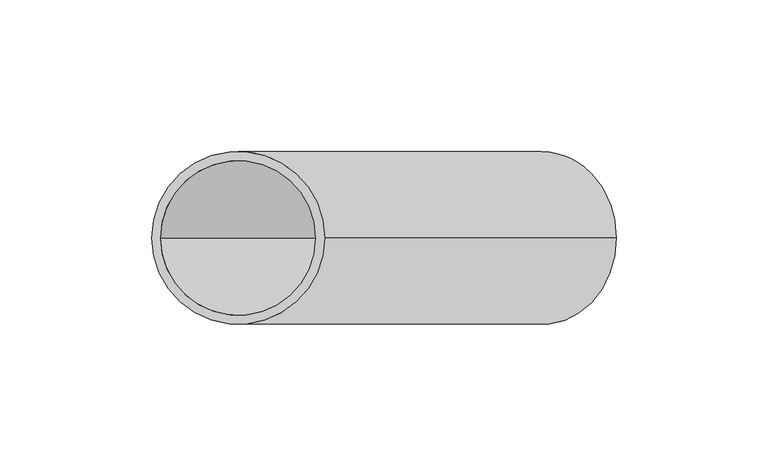
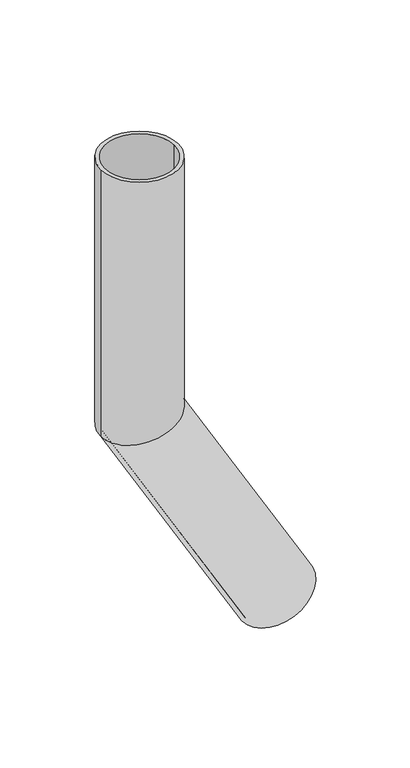
"""IFC4 building model written with IfcOpenShell, lengths in millimetres: beam geometry."""

import ifcopenshell
import ifcopenshell.guid

model = None  # the IFC model being written
_history = None  # IfcOwnerHistory: only IFC2X3 demands one
_inside = {}  # id of a spatial element -> (the spatial element, [elements in it])
_under = {}  # id of a project, library or spatial element -> (it, [spatial elements below it])
_declared = {}  # id of a project -> (the project, [libraries it declares])
_typed = {}  # id of a type object -> (the type object, [elements of that type])
_made_of = {}  # id of a material, layer set ... -> (it, [elements and type objects made of it])


def new_model(schema):
    """Start an empty IFC model of exactly this schema.

    Asked for "IFC4X3", IfcOpenShell would pick the latest addendum, in which some entities
    have other attributes; the version numbers below select the first issue.
    IFC2X3 requires an IfcOwnerHistory on every rooted entity: one is made here for all.
    """
    global model, _history
    if schema == "IFC4X3":
        model = ifcopenshell.file(schema_version=(4, 3, 0, 0))
    else:
        model = ifcopenshell.file(schema=schema)
    _inside.clear()
    _under.clear()
    _declared.clear()
    _typed.clear()
    _made_of.clear()
    _history = None
    if model.schema == "IFC2X3":
        org = make("IfcOrganization", Name="unknown")
        user = make(
            "IfcPersonAndOrganization",
            ThePerson=make("IfcPerson", FamilyName="unknown"),
            TheOrganization=org,
        )
        app = make(
            "IfcApplication",
            ApplicationDeveloper=org,
            Version="unknown",
            ApplicationFullName="unknown",
            ApplicationIdentifier="unknown",
        )
        _history = make(
            "IfcOwnerHistory",
            OwningUser=user,
            OwningApplication=app,
            ChangeAction="ADDED",
            CreationDate=0,
        )
    return model


def make(cls, **values):
    """One entity of the class cls with the attributes given. An attribute that is None is left unset."""
    return model.create_entity(
        cls, **{name: value for name, value in values.items() if value is not None}
    )


def rooted(cls, **values):
    """An entity with a GlobalId (a new one), such as an element, a storey or a relation."""
    return make(cls, GlobalId=ifcopenshell.guid.new(), OwnerHistory=_history, **values)


def si_unit(unit_type, name, prefix=None):
    """IfcSIUnit, for example si_unit("LENGTHUNIT", "METRE", prefix="MILLI")."""
    return make("IfcSIUnit", UnitType=unit_type, Prefix=prefix, Name=name)


def assignment(units):
    """IfcUnitAssignment: the units of a project."""
    return None if units is None else make("IfcUnitAssignment", Units=units)


def point(xyz):
    """IfcCartesianPoint."""
    return None if xyz is None else make("IfcCartesianPoint", Coordinates=xyz)


def direction(xyz):
    """IfcDirection."""
    return None if xyz is None else make("IfcDirection", DirectionRatios=xyz)


def frame(location, z_axis=None, x_axis=None):
    """IfcAxis2Placement3D, a coordinate frame: its origin and axes. An axis left out is left unset."""
    return make(
        "IfcAxis2Placement3D",
        Location=point(location),
        Axis=direction(z_axis),
        RefDirection=direction(x_axis),
    )


def origin():
    """The frame at (0, 0, 0) with its axes left unset."""
    return frame((0.0, 0.0, 0.0))


def place(relative_to, where):
    """IfcLocalPlacement: puts the frame where relative to a parent placement (None: the world)."""
    return make(
        "IfcLocalPlacement", PlacementRelTo=relative_to, RelativePlacement=where
    )


def context(
    kind, dimensions, precision=None, world=None, true_north=None, identifier=None
):
    """IfcGeometricRepresentationContext, for example the 3D "Model" context."""
    return make(
        "IfcGeometricRepresentationContext",
        ContextIdentifier=identifier,
        ContextType=kind,
        CoordinateSpaceDimension=dimensions,
        Precision=precision,
        WorldCoordinateSystem=world,
        TrueNorth=true_north,
    )


def project(units=None, contexts=None):
    """IfcProject with its units and contexts."""
    return rooted(
        "IfcProject",
        Name="project",
        RepresentationContexts=contexts,
        UnitsInContext=assignment(units),
    )


def spatial(cls, under=None, at=None, **own):
    """A site, building, storey or space (cls), placed at a placement, below another one or the project."""
    s = rooted(cls, ObjectPlacement=at, **own)
    if under is not None:
        _under.setdefault(under.id(), (under, []))[1].append(s)
    return s


def polyline(points):
    """IfcPolyline through the points."""
    return make("IfcPolyline", Points=[point(p) for p in points])


def circle_curve(where, radius):
    """IfcCircle in the frame where."""
    return make("IfcCircle", Position=where, Radius=radius)


def ellipse_curve(where, semi_axis1, semi_axis2):
    """IfcEllipse in the frame where."""
    return make(
        "IfcEllipse", Position=where, SemiAxis1=semi_axis1, SemiAxis2=semi_axis2
    )


def shape(context_of_items, identifier, shape_type, items):
    """IfcShapeRepresentation: the items that make up one representation, for example the "Body"."""
    return make(
        "IfcShapeRepresentation",
        ContextOfItems=context_of_items,
        RepresentationIdentifier=identifier,
        RepresentationType=shape_type,
        Items=items,
    )


def source(mapping_origin, context_of_items, identifier, shape_type, items):
    """IfcRepresentationMap: a shape defined once, which mapped items show again and again."""
    return make(
        "IfcRepresentationMap",
        MappingOrigin=mapping_origin,
        MappedRepresentation=shape(context_of_items, identifier, shape_type, items),
    )


def transform(
    local_origin,
    x_axis=None,
    y_axis=None,
    z_axis=None,
    scale=None,
    scale2=None,
    scale3=None,
    uniform=True,
):
    """IfcCartesianTransformationOperator3D, or its non-uniform kind. x_axis, y_axis, z_axis: its Axis1, 2, 3."""
    if uniform:
        return make(
            "IfcCartesianTransformationOperator3D",
            Axis1=direction(x_axis),
            Axis2=direction(y_axis),
            LocalOrigin=point(local_origin),
            Scale=scale,
            Axis3=direction(z_axis),
        )
    return make(
        "IfcCartesianTransformationOperator3DnonUniform",
        Axis1=direction(x_axis),
        Axis2=direction(y_axis),
        LocalOrigin=point(local_origin),
        Scale=scale,
        Axis3=direction(z_axis),
        Scale2=scale2,
        Scale3=scale3,
    )


def mapped(mapping_source, mapping_target):
    """IfcMappedItem: shows the shape of a source again, moved by a transform."""
    return make(
        "IfcMappedItem", MappingSource=mapping_source, MappingTarget=mapping_target
    )


def made_of(thing, what):
    """Note that an element or type object is made of a material, layer set ...; save() writes the relation."""
    if what is not None:
        _made_of.setdefault(what.id(), (what, []))[1].append(thing)
    return thing


def element(
    cls,
    number,
    at=None,
    inside=None,
    cuts=None,
    type_object=None,
    material=None,
    context=None,
    identifier="Body",
    shape_type=None,
    held_by="IfcProductDefinitionShape",
    body=None,
    shapes=None,
    **own,
):
    """One element of the class cls, such as IfcWall. Its Tag is "e" and its number.

    at: its placement. inside: the storey or other place that contains it. cuts: it is an
    opening in that element (IfcRelVoidsElement). A single representation is given by context,
    identifier, shape_type and body (its items); several are given by shapes. held_by: the class
    of the entity that holds the representations. save() writes the other relations.
    """
    e = rooted(cls, Tag="e%d" % number, ObjectPlacement=at, **own)
    if body is not None:
        shapes = [shape(context, identifier, shape_type, body)]
    if shapes is not None:
        e.Representation = make(held_by, Representations=shapes)
    if inside is not None:
        _inside.setdefault(inside.id(), (inside, []))[1].append(e)
    if cuts is not None:
        rooted(
            "IfcRelVoidsElement", RelatingBuildingElement=cuts, RelatedOpeningElement=e
        )
    if type_object is not None:
        _typed.setdefault(type_object.id(), (type_object, []))[1].append(e)
    return made_of(e, material)


def aggregate(whole, parts):
    """IfcRelAggregates: a whole, such as a stair, and the parts it consists of."""
    return rooted("IfcRelAggregates", RelatingObject=whole, RelatedObjects=parts)


def save(model, path):
    """Write the relations noted so far, then the file.

    IfcRelAggregates (storeys below a building ...), IfcRelContainedInSpatialStructure (elements
    in a storey), IfcRelDefinesByType, IfcRelAssociatesMaterial and IfcRelDeclares: one each for
    every whole, place, type object, material and project.
    """
    for whole, parts in _under.values():
        aggregate(whole, parts)
    for where, things in _inside.values():
        rooted(
            "IfcRelContainedInSpatialStructure",
            RelatedElements=things,
            RelatingStructure=where,
        )
    for kind, things in _typed.values():
        rooted("IfcRelDefinesByType", RelatedObjects=things, RelatingType=kind)
    for what, things in _made_of.values():
        rooted("IfcRelAssociatesMaterial", RelatedObjects=things, RelatingMaterial=what)
    for by, libraries in _declared.values():
        rooted("IfcRelDeclares", RelatingContext=by, RelatedDefinitions=libraries)
    model.write(path)


def plane_surface(at):
    """IfcPlane: the flat surface through the origin of the frame at, square to its z axis."""
    return make("IfcPlane", Position=at)


def cylinder_surface(at, radius):
    """IfcCylindricalSurface: all points at the distance radius from the z axis of the frame at."""
    return make("IfcCylindricalSurface", Position=at, Radius=radius)


def revolved_surface(curve, axis_point, axis_direction):
    """IfcSurfaceOfRevolution: the curve turned about the line through axis_point along axis_direction."""
    return make(
        "IfcSurfaceOfRevolution",
        SweptCurve=make("IfcArbitraryOpenProfileDef", ProfileType="CURVE", Curve=curve),
        AxisPosition=make("IfcAxis1Placement", Location=point(axis_point), Axis=direction(axis_direction)),
    )


def advanced_brep(points, edges, surfaces, faces):
    """IfcAdvancedBrep: a solid bounded by faces that lie on surfaces and meet in shared edges.

    An edge is (start, end): straight between two places in points (the first is 0);
    or (start, end, curve); or (start, end, curve, False) where it runs against its curve.
    A face is (place in surfaces, loops), or (place, loops, False) where it looks against
    its surface's normal. A loop lists edges by number (the first is 1), with a minus sign
    where the edge is run from its end to its start. The first loop is the outer one.
    """
    corners = [point(p) for p in points]
    vertices = [make("IfcVertexPoint", VertexGeometry=c) for c in corners]
    made = []
    for start, end, *more in edges:
        made.append(
            make(
                "IfcEdgeCurve",
                EdgeStart=vertices[start],
                EdgeEnd=vertices[end],
                EdgeGeometry=more[0] if more else make("IfcPolyline", Points=[corners[start], corners[end]]),
                SameSense=more[1] if len(more) > 1 else True,
            )
        )
    hull = []
    for where, loops, *sense in faces:
        bounds = []
        for j, loop in enumerate(loops):
            ring = [make("IfcOrientedEdge", EdgeElement=made[abs(k) - 1], Orientation=k > 0) for k in loop]
            bounds.append(
                make(
                    "IfcFaceOuterBound" if j == 0 else "IfcFaceBound",
                    Bound=make("IfcEdgeLoop", EdgeList=ring),
                    Orientation=True,
                )
            )
        hull.append(make("IfcAdvancedFace", Bounds=bounds, FaceSurface=surfaces[where], SameSense=sense[0] if sense else True))
    return make("IfcAdvancedBrep", Outer=make("IfcClosedShell", CfsFaces=hull))


def beam_71b90321(model_context):
    return source(origin(), model_context, "Body", "AdvancedBrep", [
        advanced_brep(
        [(124.681724, 0.0, -358.9550808), (75.318276, 0.0, -387.4550808), (122.0836478, 0.0, -360.4550808), (77.9163522, 0.0, -385.9550808), (28.5, 0.0, 0.0), (-28.5, 0.0, 0.0), (25.5, 0.0, 0.0), (-25.5, 0.0, 0.0), (25.5, 0.0, -193.1672956), (0.0, -25.5, -200.0), (-25.5, 0.0, -206.8327044), (0.0, 25.5, -200.0), (28.5, 0.0, -192.363448), (-28.5, 0.0, -207.636552)],
        [
            (0, 1, circle_curve(frame((100.0, 0.0, -373.2050808), z_axis=(0.5000000000000633, 0.0, -0.8660254037844022), x_axis=(-0.8660254037844022, 0.0, -0.5000000000000633)), 28.5)),
            (1, 0, circle_curve(frame((100.0, 0.0, -373.2050808), z_axis=(0.5000000000000633, 0.0, -0.8660254037844022), x_axis=(-0.8660254037844022, 0.0, -0.5000000000000633)), 28.5)),
            (2, 3, circle_curve(frame((100.0, 0.0, -373.2050808), z_axis=(-0.5000000000000633, 0.0, 0.8660254037844022), x_axis=(-0.8660254037844022, 0.0, -0.5000000000000633)), 25.5)),
            (3, 2, circle_curve(frame((100.0, 0.0, -373.2050808), z_axis=(-0.5000000000000633, 0.0, 0.8660254037844022), x_axis=(-0.8660254037844022, 0.0, -0.5000000000000633)), 25.5)),
            (4, 5, circle_curve(frame((0.0, 0.0, 0.0), z_axis=(0.0, 0.0, 1.0), x_axis=(-1.0, 0.0, 0.0)), 28.5)),
            (5, 4, circle_curve(frame((0.0, 0.0, 0.0), z_axis=(0.0, 0.0, 1.0), x_axis=(-1.0, 0.0, 0.0)), 28.5)),
            (6, 7, circle_curve(frame((0.0, 0.0, 0.0), z_axis=(0.0, 0.0, -1.0), x_axis=(-1.0, 0.0, 0.0)), 25.5)),
            (7, 6, circle_curve(frame((0.0, 0.0, 0.0), z_axis=(0.0, 0.0, -1.0), x_axis=(-1.0, 0.0, 0.0)), 25.5)),
            (6, 8),
            (8, 9, ellipse_curve(frame((0.0, 0.0, -200.0), z_axis=(0.25881904510255604, 0.0, -0.9659258262890589), x_axis=(0.9659258262890589, 0.0, 0.25881904510255593)), 26.3995426, 25.5)),
            (9, 10, ellipse_curve(frame((0.0, 0.0, -200.0), z_axis=(0.25881904510255604, 0.0, -0.9659258262890589), x_axis=(0.9659258262890589, 0.0, 0.25881904510255593)), 26.3995426, 25.5)),
            (10, 7),
            (10, 11, ellipse_curve(frame((0.0, 0.0, -200.0), z_axis=(0.25881904510255604, 0.0, -0.9659258262890589), x_axis=(0.9659258262890589, 0.0, 0.25881904510255593)), 26.3995426, 25.5)),
            (11, 8, ellipse_curve(frame((0.0, 0.0, -200.0), z_axis=(0.25881904510255604, 0.0, -0.9659258262890589), x_axis=(0.9659258262890589, 0.0, 0.25881904510255593)), 26.3995426, 25.5)),
            (4, 12),
            (12, 13, ellipse_curve(frame((0.0, 0.0, -200.0), z_axis=(-0.25881904510255604, 0.0, 0.9659258262890589), x_axis=(-0.9659258262890589, 0.0, -0.25881904510255593)), 29.5053711, 28.5)),
            (13, 5),
            (13, 12, ellipse_curve(frame((0.0, 0.0, -200.0), z_axis=(-0.25881904510255604, 0.0, 0.9659258262890589), x_axis=(-0.9659258262890589, 0.0, -0.25881904510255593)), 29.5053711, 28.5)),
            (2, 8),
            (10, 3),
            (0, 12),
            (13, 1),
        ],
        [
            plane_surface(frame((100.0, 0.0, -373.2050808), z_axis=(0.5000000000000633, 0.0, -0.8660254037844022), x_axis=(0.0, -1.0, 0.0))),
            plane_surface(frame((0.0, 0.0, 0.0), z_axis=(0.0, 0.0, 1.0), x_axis=(0.0, -1.0, 0.0))),
            revolved_surface(polyline([(-25.5, 0.0, 0.0), (-25.5, 0.0, -206.83270440687625)]), (0.0, 0.0, -200.0), (0.0, 0.0, 1.0)),
            cylinder_surface(frame((0.0, 0.0, -200.0), z_axis=(0.0, 0.0, -1.0), x_axis=(-1.0, 0.0, 0.0)), 28.5),
            revolved_surface(polyline([(-25.500000021709596, 0.0, -206.83270441253399), (77.91635220437288, 0.0, -385.9550808015174)]), (100.0, 0.0, -373.2050808), (-0.5000000000000633, 0.0, 0.8660254037844022)),
            cylinder_surface(frame((100.0, 0.0, -373.2050808), z_axis=(0.5000000000000633, 0.0, -0.8660254037844022), x_axis=(-0.8660254037844022, 0.0, -0.5000000000000633)), 28.5),
        ],
        [
            (0, [[1, 2], [3, 4]]),
            (1, [[5, 6], [7, 8]]),
            (2, [[-7, 9, 10, 11, 12]]),
            (2, [[-8, -12, 13, 14, -9]]),
            (3, [[-5, 15, 16, 17]]),
            (3, [[-6, -17, 18, -15]]),
            (4, [[-3, 19, -14, -13, 20]]),
            (4, [[-4, -20, -11, -10, -19]]),
            (5, [[-1, 21, -18, 22]]),
            (5, [[-2, -22, -16, -21]]),
        ],
    ),
    ])


if __name__ == "__main__":
    model = new_model("IFC4")
    model_context = context("Model", 3, world=origin())
    ifc_project = project(units=[si_unit("LENGTHUNIT", "METRE", prefix="MILLI")], contexts=[model_context])
    site = spatial("IfcSite", under=ifc_project)
    building = spatial("IfcBuilding", under=site)
    placement = place(None, origin())
    beam_shape = beam_71b90321(model_context)
    element("IfcBeam", 1, at=placement, inside=building, context=model_context, shape_type="MappedRepresentation", body=[
        mapped(beam_shape, transform((0.0, 0.0, 0.0), x_axis=(1.0, 0.0, 0.0), y_axis=(0.0, 1.0, 0.0), z_axis=(0.0, 0.0, 1.0))),
    ])
    save(model, "model.ifc")
